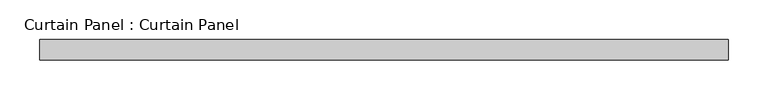
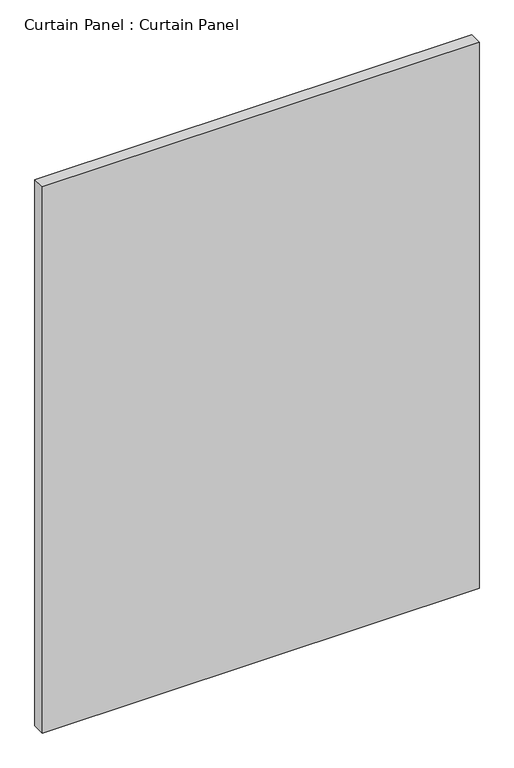
"""IFC4 building model written with IfcOpenShell, lengths in millimetres: plate geometry, Curtain Panel : Curtain Panel."""

from ifc_helpers import new_model, si_unit, frame, origin, place, context, project, spatial, polyline, outline, extrude, source, transform, mapped, element, save


def curtain_panel_curtain_panel_d1fb6fc6(model_context):
    return source(origin(), model_context, "Body", "SweptSolid", [
        extrude(outline(polyline([(-31501.8691045, 579.5565472), (-32365.4876734, 579.5565472), (-32365.4876734, 604.9565472), (-31501.8691045, 604.9565472), (-31501.8691045, 579.5565472)])), frame((0.0, 0.0, 1767.8280373), z_axis=(0.0, 0.0, 1.0), x_axis=(1.0, 0.0, 0.0)), (0.0, 0.0, 1.0), 1141.8456924),
    ])


if __name__ == "__main__":
    model = new_model("IFC4")
    model_context = context("Model", 3, world=origin())
    ifc_project = project(units=[si_unit("LENGTHUNIT", "METRE", prefix="MILLI")], contexts=[model_context])
    site = spatial("IfcSite", under=ifc_project)
    building = spatial("IfcBuilding", under=site)
    placement = place(None, origin())
    curtain_panel_curtain_panel_shape = curtain_panel_curtain_panel_d1fb6fc6(model_context)
    element("IfcPlate", 1, ObjectType="Curtain Panel : Curtain Panel", at=placement, inside=building, context=model_context, shape_type="MappedRepresentation", body=[
        mapped(curtain_panel_curtain_panel_shape, transform((0.0, 0.0, 0.0), x_axis=(1.0, 0.0, 0.0), y_axis=(0.0, 1.0, 0.0), z_axis=(0.0, 0.0, 1.0))),
    ])
    save(model, "model.ifc")
